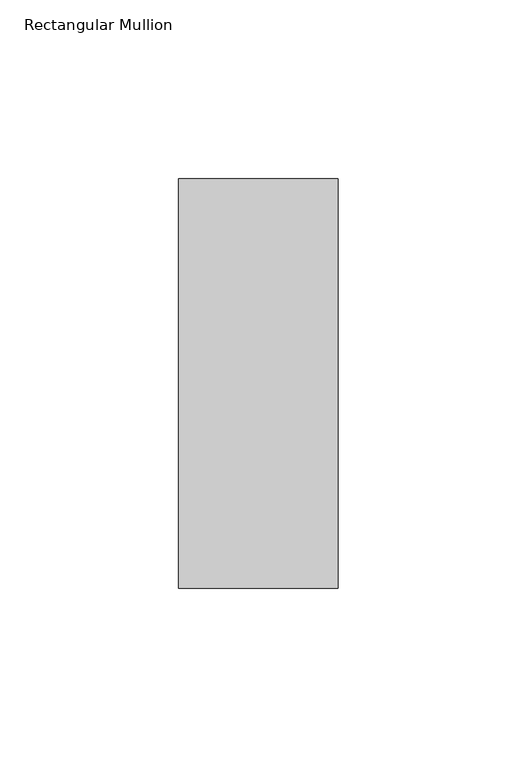
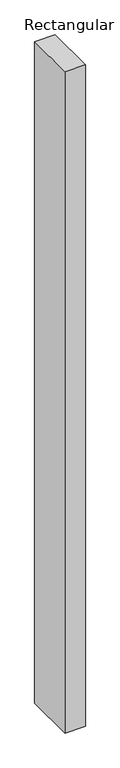
"""IFC4 building model written with IfcOpenShell, lengths in millimetres: member geometry, Rectangular Mullion."""

from ifc_helpers import new_model, si_unit, frame, origin, place, context, project, spatial, polyline, outline, extrude, source, transform, mapped, element, save


def rectangular_mullion_fb939785(model_context):
    return source(origin(), model_context, "Body", "SweptSolid", [
        extrude(outline(polyline([(22.2136654, 57.1666957), (22.2136654, -57.1079043), (-22.225, -57.1079043), (-22.225, 57.1666957), (22.2136654, 57.1666957)])), frame((0.0, 0.0, -1524.0), z_axis=(0.0, 0.0, 1.0), x_axis=(1.0, 0.0, 0.0)), (0.0, 0.0, 1.0), 1524.0),
    ])


if __name__ == "__main__":
    model = new_model("IFC4")
    model_context = context("Model", 3, world=origin())
    ifc_project = project(units=[si_unit("LENGTHUNIT", "METRE", prefix="MILLI")], contexts=[model_context])
    site = spatial("IfcSite", under=ifc_project)
    building = spatial("IfcBuilding", under=site)
    placement = place(None, origin())
    rectangular_mullion_shape = rectangular_mullion_fb939785(model_context)
    element("IfcMember", 1, ObjectType="Rectangular Mullion", at=placement, inside=building, context=model_context, shape_type="MappedRepresentation", body=[
        mapped(rectangular_mullion_shape, transform((0.0, 0.0, 0.0), x_axis=(1.0, 0.0, 0.0), y_axis=(0.0, 1.0, 0.0), z_axis=(0.0, 0.0, 1.0))),
    ])
    save(model, "model.ifc")
